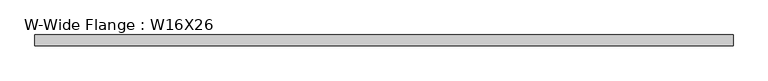
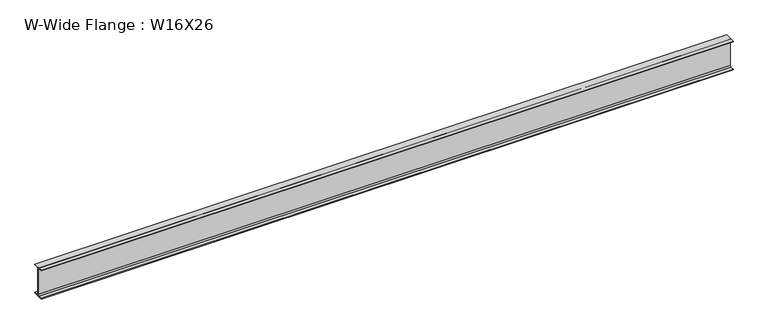
"""IFC4 building model written with IfcOpenShell, lengths in millimetres: beam geometry, W-Wide Flange : W16X26."""

from ifc_helpers import new_model, si_unit, point, frame, frame_2d, origin, place, context, project, spatial, polyline, circle_curve, trimmed, segment, composite_curve, outline, extrude, source, transform, mapped, element, save


def w_wide_flange_w16x26_006de76d(model_context):
    return source(origin(), model_context, "Body", "SweptSolid", [
        extrude(outline(composite_curve([segment(polyline([(69.85, -190.5496094), (69.85, -199.2808594), (-69.85, -199.2808594), (-69.85, -190.5496094), (-21.43125, -190.5496094)]), True, "CONTINUOUS"), segment(trimmed(circle_curve(frame_2d((-21.43125, -172.2933594)), 18.25625), [point((-21.43125, -190.5496094))], [point((-3.175, -172.2933594))], True, "CARTESIAN"), True, "CONTINUOUS"), segment(polyline([(-3.175, -172.2933594), (-3.175, 172.2933594)]), True, "CONTINUOUS"), segment(trimmed(circle_curve(frame_2d((-21.43125, 172.2933594)), 18.25625), [point((-3.175, 172.2933594))], [point((-21.43125, 190.5496094))], True, "CARTESIAN"), True, "CONTINUOUS"), segment(polyline([(-21.43125, 190.5496094), (-69.85, 190.5496094), (-69.85, 199.2808594), (69.85, 199.2808594), (69.85, 190.5496094), (21.43125, 190.5496094)]), True, "CONTINUOUS"), segment(trimmed(circle_curve(frame_2d((21.43125, 172.2933594)), 18.25625), [point((21.43125, 190.5496094))], [point((3.175, 172.2933594))], True, "CARTESIAN"), True, "CONTINUOUS"), segment(polyline([(3.175, 172.2933594), (3.175, -172.2933594)]), True, "CONTINUOUS"), segment(trimmed(circle_curve(frame_2d((21.43125, -172.2933594)), 18.25625), [point((3.175, -172.2933594))], [point((21.43125, -190.5496094))], True, "CARTESIAN"), True, "CONTINUOUS"), segment(polyline([(21.43125, -190.5496094), (69.85, -190.5496094)]), True, "CONTINUOUS")], self_intersect=False)), frame((-4527.55, 0.0, 0.0), z_axis=(1.0, 0.0, 0.0), x_axis=(0.0, 1.0, 0.0)), (0.0, 0.0, 1.0), 9036.05),
    ])


if __name__ == "__main__":
    model = new_model("IFC4")
    model_context = context("Model", 3, world=origin())
    ifc_project = project(units=[si_unit("LENGTHUNIT", "METRE", prefix="MILLI")], contexts=[model_context])
    site = spatial("IfcSite", under=ifc_project)
    building = spatial("IfcBuilding", under=site)
    placement = place(None, origin())
    w_wide_flange_w16x26_shape = w_wide_flange_w16x26_006de76d(model_context)
    element("IfcBeam", 1, ObjectType="W-Wide Flange : W16X26", at=placement, inside=building, context=model_context, shape_type="MappedRepresentation", body=[
        mapped(w_wide_flange_w16x26_shape, transform((0.0, 0.0, 0.0), x_axis=(1.0, 0.0, 0.0), y_axis=(0.0, 1.0, 0.0), z_axis=(0.0, 0.0, 1.0))),
    ])
    save(model, "model.ifc")
